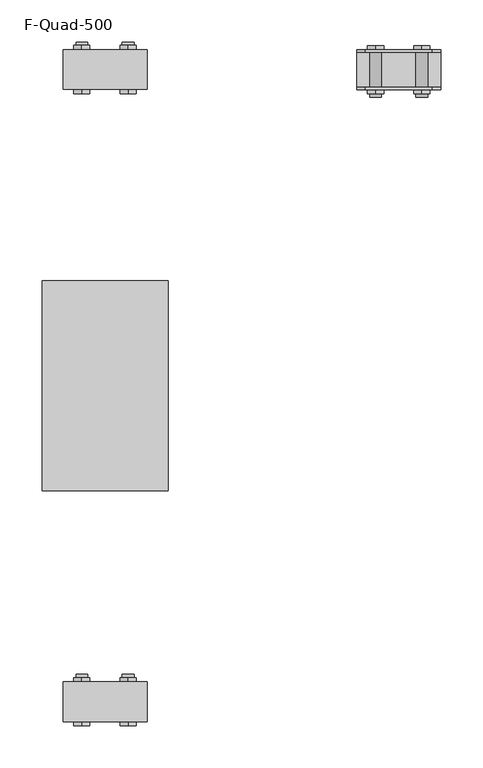
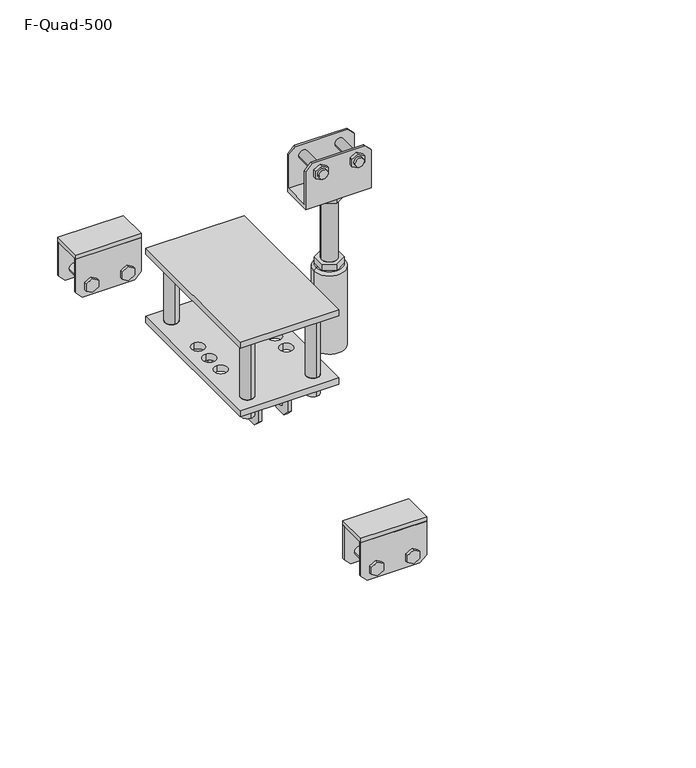
"""IFC4 building model written with IfcOpenShell, lengths in millimetres: beam geometry, F-Quad-500."""

import ifcopenshell
import ifcopenshell.guid

model = None  # the IFC model being written
_history = None  # IfcOwnerHistory: only IFC2X3 demands one
_inside = {}  # id of a spatial element -> (the spatial element, [elements in it])
_under = {}  # id of a project, library or spatial element -> (it, [spatial elements below it])
_declared = {}  # id of a project -> (the project, [libraries it declares])
_typed = {}  # id of a type object -> (the type object, [elements of that type])
_made_of = {}  # id of a material, layer set ... -> (it, [elements and type objects made of it])


def new_model(schema):
    """Start an empty IFC model of exactly this schema.

    Asked for "IFC4X3", IfcOpenShell would pick the latest addendum, in which some entities
    have other attributes; the version numbers below select the first issue.
    IFC2X3 requires an IfcOwnerHistory on every rooted entity: one is made here for all.
    """
    global model, _history
    if schema == "IFC4X3":
        model = ifcopenshell.file(schema_version=(4, 3, 0, 0))
    else:
        model = ifcopenshell.file(schema=schema)
    _inside.clear()
    _under.clear()
    _declared.clear()
    _typed.clear()
    _made_of.clear()
    _history = None
    if model.schema == "IFC2X3":
        org = make("IfcOrganization", Name="unknown")
        user = make(
            "IfcPersonAndOrganization",
            ThePerson=make("IfcPerson", FamilyName="unknown"),
            TheOrganization=org,
        )
        app = make(
            "IfcApplication",
            ApplicationDeveloper=org,
            Version="unknown",
            ApplicationFullName="unknown",
            ApplicationIdentifier="unknown",
        )
        _history = make(
            "IfcOwnerHistory",
            OwningUser=user,
            OwningApplication=app,
            ChangeAction="ADDED",
            CreationDate=0,
        )
    return model


def make(cls, **values):
    """One entity of the class cls with the attributes given. An attribute that is None is left unset."""
    return model.create_entity(
        cls, **{name: value for name, value in values.items() if value is not None}
    )


def rooted(cls, **values):
    """An entity with a GlobalId (a new one), such as an element, a storey or a relation."""
    return make(cls, GlobalId=ifcopenshell.guid.new(), OwnerHistory=_history, **values)


def si_unit(unit_type, name, prefix=None):
    """IfcSIUnit, for example si_unit("LENGTHUNIT", "METRE", prefix="MILLI")."""
    return make("IfcSIUnit", UnitType=unit_type, Prefix=prefix, Name=name)


def assignment(units):
    """IfcUnitAssignment: the units of a project."""
    return None if units is None else make("IfcUnitAssignment", Units=units)


def point(xyz):
    """IfcCartesianPoint."""
    return None if xyz is None else make("IfcCartesianPoint", Coordinates=xyz)


def direction(xyz):
    """IfcDirection."""
    return None if xyz is None else make("IfcDirection", DirectionRatios=xyz)


def frame(location, z_axis=None, x_axis=None):
    """IfcAxis2Placement3D, a coordinate frame: its origin and axes. An axis left out is left unset."""
    return make(
        "IfcAxis2Placement3D",
        Location=point(location),
        Axis=direction(z_axis),
        RefDirection=direction(x_axis),
    )


def frame_2d(location, x_axis=None):
    """IfcAxis2Placement2D, a coordinate frame in the plane: its origin and x axis."""
    return make(
        "IfcAxis2Placement2D", Location=point(location), RefDirection=direction(x_axis)
    )


def origin():
    """The frame at (0, 0, 0) with its axes left unset."""
    return frame((0.0, 0.0, 0.0))


def place(relative_to, where):
    """IfcLocalPlacement: puts the frame where relative to a parent placement (None: the world)."""
    return make(
        "IfcLocalPlacement", PlacementRelTo=relative_to, RelativePlacement=where
    )


def context(
    kind, dimensions, precision=None, world=None, true_north=None, identifier=None
):
    """IfcGeometricRepresentationContext, for example the 3D "Model" context."""
    return make(
        "IfcGeometricRepresentationContext",
        ContextIdentifier=identifier,
        ContextType=kind,
        CoordinateSpaceDimension=dimensions,
        Precision=precision,
        WorldCoordinateSystem=world,
        TrueNorth=true_north,
    )


def project(units=None, contexts=None):
    """IfcProject with its units and contexts."""
    return rooted(
        "IfcProject",
        Name="project",
        RepresentationContexts=contexts,
        UnitsInContext=assignment(units),
    )


def spatial(cls, under=None, at=None, **own):
    """A site, building, storey or space (cls), placed at a placement, below another one or the project."""
    s = rooted(cls, ObjectPlacement=at, **own)
    if under is not None:
        _under.setdefault(under.id(), (under, []))[1].append(s)
    return s


def polyline(points):
    """IfcPolyline through the points."""
    return make("IfcPolyline", Points=[point(p) for p in points])


def circle_curve(where, radius):
    """IfcCircle in the frame where."""
    return make("IfcCircle", Position=where, Radius=radius)


def trimmed(basis, trim1, trim2, sense, master):
    """IfcTrimmedCurve: the piece of a basis curve between two trims."""
    return make(
        "IfcTrimmedCurve",
        BasisCurve=basis,
        Trim1=trim1,
        Trim2=trim2,
        SenseAgreement=sense,
        MasterRepresentation=master,
    )


def segment(curve, same_sense, transition):
    """IfcCompositeCurveSegment."""
    return make(
        "IfcCompositeCurveSegment",
        Transition=transition,
        SameSense=same_sense,
        ParentCurve=curve,
    )


def composite_curve(segments, self_intersect=None):
    """IfcCompositeCurve: segments joined end to end."""
    return make("IfcCompositeCurve", Segments=segments, SelfIntersect=self_intersect)


def outline(outer, holes=None, kind="AREA"):
    """IfcArbitraryClosedProfileDef: a profile drawn as a closed curve; with holes, ...WithVoids."""
    if holes is None:
        return make("IfcArbitraryClosedProfileDef", ProfileType=kind, OuterCurve=outer)
    return make(
        "IfcArbitraryProfileDefWithVoids",
        ProfileType=kind,
        OuterCurve=outer,
        InnerCurves=holes,
    )


def extrude(swept, where, along, depth):
    """IfcExtrudedAreaSolid: the profile swept, set in the frame where, extruded along a direction by depth."""
    return make(
        "IfcExtrudedAreaSolid",
        SweptArea=swept,
        Position=where,
        ExtrudedDirection=direction(along),
        Depth=depth,
    )


def shape(context_of_items, identifier, shape_type, items):
    """IfcShapeRepresentation: the items that make up one representation, for example the "Body"."""
    return make(
        "IfcShapeRepresentation",
        ContextOfItems=context_of_items,
        RepresentationIdentifier=identifier,
        RepresentationType=shape_type,
        Items=items,
    )


def source(mapping_origin, context_of_items, identifier, shape_type, items):
    """IfcRepresentationMap: a shape defined once, which mapped items show again and again."""
    return make(
        "IfcRepresentationMap",
        MappingOrigin=mapping_origin,
        MappedRepresentation=shape(context_of_items, identifier, shape_type, items),
    )


def transform(
    local_origin,
    x_axis=None,
    y_axis=None,
    z_axis=None,
    scale=None,
    scale2=None,
    scale3=None,
    uniform=True,
):
    """IfcCartesianTransformationOperator3D, or its non-uniform kind. x_axis, y_axis, z_axis: its Axis1, 2, 3."""
    if uniform:
        return make(
            "IfcCartesianTransformationOperator3D",
            Axis1=direction(x_axis),
            Axis2=direction(y_axis),
            LocalOrigin=point(local_origin),
            Scale=scale,
            Axis3=direction(z_axis),
        )
    return make(
        "IfcCartesianTransformationOperator3DnonUniform",
        Axis1=direction(x_axis),
        Axis2=direction(y_axis),
        LocalOrigin=point(local_origin),
        Scale=scale,
        Axis3=direction(z_axis),
        Scale2=scale2,
        Scale3=scale3,
    )


def mapped(mapping_source, mapping_target):
    """IfcMappedItem: shows the shape of a source again, moved by a transform."""
    return make(
        "IfcMappedItem", MappingSource=mapping_source, MappingTarget=mapping_target
    )


def made_of(thing, what):
    """Note that an element or type object is made of a material, layer set ...; save() writes the relation."""
    if what is not None:
        _made_of.setdefault(what.id(), (what, []))[1].append(thing)
    return thing


def element(
    cls,
    number,
    at=None,
    inside=None,
    cuts=None,
    type_object=None,
    material=None,
    context=None,
    identifier="Body",
    shape_type=None,
    held_by="IfcProductDefinitionShape",
    body=None,
    shapes=None,
    **own,
):
    """One element of the class cls, such as IfcWall. Its Tag is "e" and its number.

    at: its placement. inside: the storey or other place that contains it. cuts: it is an
    opening in that element (IfcRelVoidsElement). A single representation is given by context,
    identifier, shape_type and body (its items); several are given by shapes. held_by: the class
    of the entity that holds the representations. save() writes the other relations.
    """
    e = rooted(cls, Tag="e%d" % number, ObjectPlacement=at, **own)
    if body is not None:
        shapes = [shape(context, identifier, shape_type, body)]
    if shapes is not None:
        e.Representation = make(held_by, Representations=shapes)
    if inside is not None:
        _inside.setdefault(inside.id(), (inside, []))[1].append(e)
    if cuts is not None:
        rooted(
            "IfcRelVoidsElement", RelatingBuildingElement=cuts, RelatedOpeningElement=e
        )
    if type_object is not None:
        _typed.setdefault(type_object.id(), (type_object, []))[1].append(e)
    return made_of(e, material)


def aggregate(whole, parts):
    """IfcRelAggregates: a whole, such as a stair, and the parts it consists of."""
    return rooted("IfcRelAggregates", RelatingObject=whole, RelatedObjects=parts)


def save(model, path):
    """Write the relations noted so far, then the file.

    IfcRelAggregates (storeys below a building ...), IfcRelContainedInSpatialStructure (elements
    in a storey), IfcRelDefinesByType, IfcRelAssociatesMaterial and IfcRelDeclares: one each for
    every whole, place, type object, material and project.
    """
    for whole, parts in _under.values():
        aggregate(whole, parts)
    for where, things in _inside.values():
        rooted(
            "IfcRelContainedInSpatialStructure",
            RelatedElements=things,
            RelatingStructure=where,
        )
    for kind, things in _typed.values():
        rooted("IfcRelDefinesByType", RelatedObjects=things, RelatingType=kind)
    for what, things in _made_of.values():
        rooted("IfcRelAssociatesMaterial", RelatedObjects=things, RelatingMaterial=what)
    for by, libraries in _declared.values():
        rooted("IfcRelDeclares", RelatingContext=by, RelatedDefinitions=libraries)
    model.write(path)


def plane_surface(at):
    """IfcPlane: the flat surface through the origin of the frame at, square to its z axis."""
    return make("IfcPlane", Position=at)


def cylinder_surface(at, radius):
    """IfcCylindricalSurface: all points at the distance radius from the z axis of the frame at."""
    return make("IfcCylindricalSurface", Position=at, Radius=radius)


def revolved_surface(curve, axis_point, axis_direction):
    """IfcSurfaceOfRevolution: the curve turned about the line through axis_point along axis_direction."""
    return make(
        "IfcSurfaceOfRevolution",
        SweptCurve=make("IfcArbitraryOpenProfileDef", ProfileType="CURVE", Curve=curve),
        AxisPosition=make("IfcAxis1Placement", Location=point(axis_point), Axis=direction(axis_direction)),
    )


def advanced_brep(points, edges, surfaces, faces):
    """IfcAdvancedBrep: a solid bounded by faces that lie on surfaces and meet in shared edges.

    An edge is (start, end): straight between two places in points (the first is 0);
    or (start, end, curve); or (start, end, curve, False) where it runs against its curve.
    A face is (place in surfaces, loops), or (place, loops, False) where it looks against
    its surface's normal. A loop lists edges by number (the first is 1), with a minus sign
    where the edge is run from its end to its start. The first loop is the outer one.
    """
    corners = [point(p) for p in points]
    vertices = [make("IfcVertexPoint", VertexGeometry=c) for c in corners]
    made = []
    for start, end, *more in edges:
        made.append(
            make(
                "IfcEdgeCurve",
                EdgeStart=vertices[start],
                EdgeEnd=vertices[end],
                EdgeGeometry=more[0] if more else make("IfcPolyline", Points=[corners[start], corners[end]]),
                SameSense=more[1] if len(more) > 1 else True,
            )
        )
    hull = []
    for where, loops, *sense in faces:
        bounds = []
        for j, loop in enumerate(loops):
            ring = [make("IfcOrientedEdge", EdgeElement=made[abs(k) - 1], Orientation=k > 0) for k in loop]
            bounds.append(
                make(
                    "IfcFaceOuterBound" if j == 0 else "IfcFaceBound",
                    Bound=make("IfcEdgeLoop", EdgeList=ring),
                    Orientation=True,
                )
            )
        hull.append(make("IfcAdvancedFace", Bounds=bounds, FaceSurface=surfaces[where], SameSense=sense[0] if sense else True))
    return make("IfcAdvancedBrep", Outer=make("IfcClosedShell", CfsFaces=hull))


def f_quad_500_b6241bb7(model_context):
    return source(origin(), model_context, "Body", "SolidModel", [
        extrude(outline(composite_curve([segment(trimmed(circle_curve(frame_2d((400.0, 276.25)), 10.0), [point((400.0, 286.25))], [point((400.0, 266.25))], False, "CARTESIAN"), True, "CONTINUOUS"), segment(trimmed(circle_curve(frame_2d((400.0, 276.25)), 10.0), [point((400.0, 266.25))], [point((400.0, 286.25))], False, "CARTESIAN"), True, "CONTINUOUS")], self_intersect=False)), frame((0.0, 0.0, 325.1), z_axis=(0.0, 0.0, 1.0), x_axis=(1.0, 0.0, 0.0)), (0.0, 0.0, 1.0), 30.0),
        extrude(outline(composite_curve([segment(trimmed(circle_curve(frame_2d((400.0, 476.25)), 10.0), [point((400.0, 486.25))], [point((400.0, 466.25))], False, "CARTESIAN"), True, "CONTINUOUS"), segment(trimmed(circle_curve(frame_2d((400.0, 476.25)), 10.0), [point((400.0, 466.25))], [point((400.0, 486.25))], False, "CARTESIAN"), True, "CONTINUOUS")], self_intersect=False)), frame((0.0, 0.0, 325.1), z_axis=(0.0, 0.0, 1.0), x_axis=(1.0, 0.0, 0.0)), (0.0, 0.0, 1.0), 30.0),
        extrude(outline(composite_curve([segment(trimmed(circle_curve(frame_2d((300.0, 276.25)), 10.0), [point((300.0, 286.25))], [point((300.0, 266.25))], False, "CARTESIAN"), True, "CONTINUOUS"), segment(trimmed(circle_curve(frame_2d((300.0, 276.25)), 10.0), [point((300.0, 266.25))], [point((300.0, 286.25))], False, "CARTESIAN"), True, "CONTINUOUS")], self_intersect=False)), frame((0.0, 0.0, 325.1), z_axis=(0.0, 0.0, 1.0), x_axis=(1.0, 0.0, 0.0)), (0.0, 0.0, 1.0), 30.0),
        extrude(outline(composite_curve([segment(trimmed(circle_curve(frame_2d((300.0, 476.25)), 10.0), [point((300.0, 486.25))], [point((300.0, 466.25))], False, "CARTESIAN"), True, "CONTINUOUS"), segment(trimmed(circle_curve(frame_2d((300.0, 476.25)), 10.0), [point((300.0, 466.25))], [point((300.0, 486.25))], False, "CARTESIAN"), True, "CONTINUOUS")], self_intersect=False)), frame((0.0, 0.0, 325.1), z_axis=(0.0, 0.0, 1.0), x_axis=(1.0, 0.0, 0.0)), (0.0, 0.0, 1.0), 30.0),
        extrude(outline(polyline([(425.0, 251.25), (275.0, 251.25), (275.0, 501.25), (425.0, 501.25), (425.0, 251.25)])), frame((0.0, 0.0, 455.1), z_axis=(0.0, 0.0, 1.0), x_axis=(1.0, 0.0, 0.0)), (0.0, 0.0, 1.0), 10.0),
        extrude(outline(composite_curve([segment(trimmed(circle_curve(frame_2d((300.0, 276.25)), 10.0), [point((300.0, 266.25))], [point((300.0, 286.25))], False, "CARTESIAN"), True, "CONTINUOUS"), segment(trimmed(circle_curve(frame_2d((300.0, 276.25)), 10.0), [point((300.0, 286.25))], [point((300.0, 266.25))], False, "CARTESIAN"), True, "CONTINUOUS")], self_intersect=False)), frame((0.0, 0.0, 355.1), z_axis=(0.0, 0.0, 1.0), x_axis=(1.0, 0.0, 0.0)), (0.0, 0.0, 1.0), 100.0),
        extrude(outline(composite_curve([segment(trimmed(circle_curve(frame_2d((400.0, 276.25)), 10.0), [point((400.0, 266.25))], [point((400.0, 286.25))], False, "CARTESIAN"), True, "CONTINUOUS"), segment(trimmed(circle_curve(frame_2d((400.0, 276.25)), 10.0), [point((400.0, 286.25))], [point((400.0, 266.25))], False, "CARTESIAN"), True, "CONTINUOUS")], self_intersect=False)), frame((0.0, 0.0, 355.1), z_axis=(0.0, 0.0, 1.0), x_axis=(1.0, 0.0, 0.0)), (0.0, 0.0, 1.0), 100.0),
        extrude(outline(composite_curve([segment(trimmed(circle_curve(frame_2d((300.0, 476.25)), 10.0), [point((300.0, 466.25))], [point((300.0, 486.25))], False, "CARTESIAN"), True, "CONTINUOUS"), segment(trimmed(circle_curve(frame_2d((300.0, 476.25)), 10.0), [point((300.0, 486.25))], [point((300.0, 466.25))], False, "CARTESIAN"), True, "CONTINUOUS")], self_intersect=False)), frame((0.0, 0.0, 355.1), z_axis=(0.0, 0.0, 1.0), x_axis=(1.0, 0.0, 0.0)), (0.0, 0.0, 1.0), 100.0),
        extrude(outline(composite_curve([segment(trimmed(circle_curve(frame_2d((400.0, 476.25)), 10.0), [point((400.0, 466.25))], [point((400.0, 486.25))], False, "CARTESIAN"), True, "CONTINUOUS"), segment(trimmed(circle_curve(frame_2d((400.0, 476.25)), 10.0), [point((400.0, 486.25))], [point((400.0, 466.25))], False, "CARTESIAN"), True, "CONTINUOUS")], self_intersect=False)), frame((0.0, 0.0, 355.1), z_axis=(0.0, 0.0, 1.0), x_axis=(1.0, 0.0, 0.0)), (0.0, 0.0, 1.0), 100.0),
        extrude(outline(polyline([(421.8956915, 345.1), (461.8956915, 345.1), (461.8956915, 295.1), (451.8956915, 285.1), (431.8956915, 285.1), (421.8956915, 295.1), (421.8956915, 345.1)]), holes=[composite_curve([segment(trimmed(circle_curve(frame_2d((441.8956915, 300.1)), 5.0), [point((446.8956915, 300.1))], [point((436.8956915, 300.1))], True, "CARTESIAN"), True, "CONTINUOUS"), segment(trimmed(circle_curve(frame_2d((441.8956915, 300.1)), 5.0), [point((436.8956915, 300.1))], [point((446.8956915, 300.1))], True, "CARTESIAN"), True, "CONTINUOUS")], self_intersect=False)]), frame((325.0, 0.0, 0.0), z_axis=(1.0, 0.0, 0.0), x_axis=(0.0, 1.0, 0.0)), (0.0, 0.0, 1.0), 5.0),
        extrude(outline(polyline([(330.6043085, 345.1), (330.6043085, 295.1), (320.6043085, 285.1), (300.6043085, 285.1), (290.6043085, 295.1), (290.6043085, 345.1), (330.6043085, 345.1)]), holes=[composite_curve([segment(trimmed(circle_curve(frame_2d((310.6043085, 300.1)), 5.0), [point((305.6043085, 300.1))], [point((315.6043085, 300.1))], True, "CARTESIAN"), True, "CONTINUOUS"), segment(trimmed(circle_curve(frame_2d((310.6043085, 300.1)), 5.0), [point((315.6043085, 300.1))], [point((305.6043085, 300.1))], True, "CARTESIAN"), True, "CONTINUOUS")], self_intersect=False)]), frame((325.0, 0.0, 0.0), z_axis=(1.0, 0.0, 0.0), x_axis=(0.0, 1.0, 0.0)), (0.0, 0.0, 1.0), 5.0),
        extrude(outline(polyline([(421.8956915, 345.1), (461.8956915, 345.1), (461.8956915, 295.1), (451.8956915, 285.1), (431.8956915, 285.1), (421.8956915, 295.1), (421.8956915, 345.1)]), holes=[composite_curve([segment(trimmed(circle_curve(frame_2d((441.8956915, 300.1)), 5.0), [point((446.8956915, 300.1))], [point((436.8956915, 300.1))], True, "CARTESIAN"), True, "CONTINUOUS"), segment(trimmed(circle_curve(frame_2d((441.8956915, 300.1)), 5.0), [point((436.8956915, 300.1))], [point((446.8956915, 300.1))], True, "CARTESIAN"), True, "CONTINUOUS")], self_intersect=False)]), frame((370.0, 0.0, 0.0), z_axis=(1.0, 0.0, 0.0), x_axis=(0.0, 1.0, 0.0)), (0.0, 0.0, 1.0), 5.0),
        extrude(outline(polyline([(330.6043085, 345.1), (330.6043085, 295.1), (320.6043085, 285.1), (300.6043085, 285.1), (290.6043085, 295.1), (290.6043085, 345.1), (330.6043085, 345.1)]), holes=[composite_curve([segment(trimmed(circle_curve(frame_2d((310.6043085, 300.1)), 5.0), [point((305.6043085, 300.1))], [point((315.6043085, 300.1))], True, "CARTESIAN"), True, "CONTINUOUS"), segment(trimmed(circle_curve(frame_2d((310.6043085, 300.1)), 5.0), [point((315.6043085, 300.1))], [point((305.6043085, 300.1))], True, "CARTESIAN"), True, "CONTINUOUS")], self_intersect=False)]), frame((370.0, 0.0, 0.0), z_axis=(1.0, 0.0, 0.0), x_axis=(0.0, 1.0, 0.0)), (0.0, 0.0, 1.0), 5.0),
        extrude(outline(polyline([(425.0, 501.25), (425.0, 251.25), (275.0, 251.25), (275.0, 501.25), (425.0, 501.25)]), holes=[composite_curve([segment(trimmed(circle_curve(frame_2d((300.0, 276.25)), 10.0), [point((300.0, 266.25))], [point((300.0, 286.25))], True, "CARTESIAN"), True, "CONTINUOUS"), segment(trimmed(circle_curve(frame_2d((300.0, 276.25)), 10.0), [point((300.0, 286.25))], [point((300.0, 266.25))], True, "CARTESIAN"), True, "CONTINUOUS")], self_intersect=False), composite_curve([segment(trimmed(circle_curve(frame_2d((300.0, 376.25)), 10.0), [point((300.0, 366.25))], [point((300.0, 386.25))], True, "CARTESIAN"), True, "CONTINUOUS"), segment(trimmed(circle_curve(frame_2d((300.0, 376.25)), 10.0), [point((300.0, 386.25))], [point((300.0, 366.25))], True, "CARTESIAN"), True, "CONTINUOUS")], self_intersect=False), composite_curve([segment(trimmed(circle_curve(frame_2d((300.0, 346.25)), 10.0), [point((300.0, 336.25))], [point((300.0, 356.25))], True, "CARTESIAN"), True, "CONTINUOUS"), segment(trimmed(circle_curve(frame_2d((300.0, 346.25)), 10.0), [point((300.0, 356.25))], [point((300.0, 336.25))], True, "CARTESIAN"), True, "CONTINUOUS")], self_intersect=False), composite_curve([segment(trimmed(circle_curve(frame_2d((300.0, 476.25)), 10.0), [point((300.0, 486.25))], [point((300.0, 466.25))], True, "CARTESIAN"), True, "CONTINUOUS"), segment(trimmed(circle_curve(frame_2d((300.0, 476.25)), 10.0), [point((300.0, 466.25))], [point((300.0, 486.25))], True, "CARTESIAN"), True, "CONTINUOUS")], self_intersect=False), composite_curve([segment(trimmed(circle_curve(frame_2d((300.0, 406.25)), 10.0), [point((300.0, 416.25))], [point((300.0, 396.25))], True, "CARTESIAN"), True, "CONTINUOUS"), segment(trimmed(circle_curve(frame_2d((300.0, 406.25)), 10.0), [point((300.0, 396.25))], [point((300.0, 416.25))], True, "CARTESIAN"), True, "CONTINUOUS")], self_intersect=False), composite_curve([segment(trimmed(circle_curve(frame_2d((400.0, 276.25)), 10.0), [point((400.0, 266.25))], [point((400.0, 286.25))], True, "CARTESIAN"), True, "CONTINUOUS"), segment(trimmed(circle_curve(frame_2d((400.0, 276.25)), 10.0), [point((400.0, 286.25))], [point((400.0, 266.25))], True, "CARTESIAN"), True, "CONTINUOUS")], self_intersect=False), composite_curve([segment(trimmed(circle_curve(frame_2d((400.0, 376.25)), 10.0), [point((400.0, 366.25))], [point((400.0, 386.25))], True, "CARTESIAN"), True, "CONTINUOUS"), segment(trimmed(circle_curve(frame_2d((400.0, 376.25)), 10.0), [point((400.0, 386.25))], [point((400.0, 366.25))], True, "CARTESIAN"), True, "CONTINUOUS")], self_intersect=False), composite_curve([segment(trimmed(circle_curve(frame_2d((400.0, 346.25)), 10.0), [point((400.0, 336.25))], [point((400.0, 356.25))], True, "CARTESIAN"), True, "CONTINUOUS"), segment(trimmed(circle_curve(frame_2d((400.0, 346.25)), 10.0), [point((400.0, 356.25))], [point((400.0, 336.25))], True, "CARTESIAN"), True, "CONTINUOUS")], self_intersect=False), composite_curve([segment(trimmed(circle_curve(frame_2d((400.0, 476.25)), 10.0), [point((400.0, 486.25))], [point((400.0, 466.25))], True, "CARTESIAN"), True, "CONTINUOUS"), segment(trimmed(circle_curve(frame_2d((400.0, 476.25)), 10.0), [point((400.0, 466.25))], [point((400.0, 486.25))], True, "CARTESIAN"), True, "CONTINUOUS")], self_intersect=False), composite_curve([segment(trimmed(circle_curve(frame_2d((400.0, 406.25)), 10.0), [point((400.0, 416.25))], [point((400.0, 396.25))], True, "CARTESIAN"), True, "CONTINUOUS"), segment(trimmed(circle_curve(frame_2d((400.0, 406.25)), 10.0), [point((400.0, 396.25))], [point((400.0, 416.25))], True, "CARTESIAN"), True, "CONTINUOUS")], self_intersect=False)]), frame((0.0, 0.0, 345.1), z_axis=(0.0, 0.0, 1.0), x_axis=(1.0, 0.0, 0.0)), (0.0, 0.0, 1.0), 10.0),
        extrude(outline(polyline([(246.0, 300.0), (236.0, 310.0), (236.0, 390.0), (246.0, 400.0), (300.0, 400.0), (300.0, 300.0), (246.0, 300.0)])), frame((0.0, 728.95, 0.0), z_axis=(0.0, 1.0, 0.0), x_axis=(0.0, 0.0, 1.0)), (0.0, 0.0, 1.0), 3.0),
        extrude(outline(polyline([(246.0, 400.0), (300.0, 400.0), (300.0, 300.0), (246.0, 300.0), (236.0, 310.0), (236.0, 390.0), (246.0, 400.0)])), frame((0.0, 773.45, 0.0), z_axis=(0.0, 1.0, 0.0), x_axis=(0.0, 0.0, 1.0)), (0.0, 0.0, 1.0), 3.0),
        extrude(outline(polyline([(247.4686675, 387.0805489), (258.5313325, 387.0805489), (264.062665, 377.5), (258.5313325, 367.9194511), (247.4686675, 367.9194511), (241.937335, 377.5), (247.4686675, 387.0805489)])), frame((0.0, 776.45, 0.0), z_axis=(0.0, 1.0, 0.0), x_axis=(0.0, 0.0, 1.0)), (0.0, 0.0, 1.0), 5.0),
        extrude(outline(composite_curve([segment(trimmed(circle_curve(frame_2d((253.0, 322.5)), 7.0), [point((253.0, 329.5))], [point((253.0, 315.5))], False, "CARTESIAN"), True, "CONTINUOUS"), segment(trimmed(circle_curve(frame_2d((253.0, 322.5)), 7.0), [point((253.0, 315.5))], [point((253.0, 329.5))], False, "CARTESIAN"), True, "CONTINUOUS")], self_intersect=False)), frame((0.0, 729.046753, 0.0), z_axis=(0.0, 1.0, 0.0), x_axis=(0.0, 0.0, 1.0)), (0.0, 0.0, 1.0), 56.3481376),
        extrude(outline(composite_curve([segment(trimmed(circle_curve(frame_2d((253.0, 377.5)), 7.0), [point((253.0, 384.5))], [point((253.0, 370.5))], False, "CARTESIAN"), True, "CONTINUOUS"), segment(trimmed(circle_curve(frame_2d((253.0, 377.5)), 7.0), [point((253.0, 370.5))], [point((253.0, 384.5))], False, "CARTESIAN"), True, "CONTINUOUS")], self_intersect=False)), frame((0.0, 729.046753, 0.0), z_axis=(0.0, 1.0, 0.0), x_axis=(0.0, 0.0, 1.0)), (0.0, 0.0, 1.0), 56.3481376),
        extrude(outline(polyline([(241.937335, 322.5), (247.4686675, 332.0805489), (258.5313325, 332.0805489), (264.062665, 322.5), (258.5313325, 312.9194511), (247.4686675, 312.9194511), (241.937335, 322.5)])), frame((0.0, 724.046753, 0.0), z_axis=(0.0, 1.0, 0.0), x_axis=(0.0, 0.0, 1.0)), (0.0, 0.0, 1.0), 5.0),
        extrude(outline(polyline([(241.937335, 377.5), (247.4686675, 387.0805489), (258.5313325, 387.0805489), (264.062665, 377.5), (258.5313325, 367.9194511), (247.4686675, 367.9194511), (241.937335, 377.5)])), frame((0.0, 724.046753, 0.0), z_axis=(0.0, 1.0, 0.0), x_axis=(0.0, 0.0, 1.0)), (0.0, 0.0, 1.0), 5.0),
        extrude(outline(polyline([(247.4686675, 332.0805489), (258.5313325, 332.0805489), (264.062665, 322.5), (258.5313325, 312.9194511), (247.4686675, 312.9194511), (241.937335, 322.5), (247.4686675, 332.0805489)])), frame((0.0, 776.45, 0.0), z_axis=(0.0, 1.0, 0.0), x_axis=(0.0, 0.0, 1.0)), (0.0, 0.0, 1.0), 5.0),
        extrude(outline(polyline([(300.0, 728.95), (300.0, 776.45), (400.0, 776.45), (400.0, 728.95), (300.0, 728.95)])), frame((0.0, 0.0, 300.0), z_axis=(0.0, 0.0, 1.0), x_axis=(1.0, 0.0, 0.0)), (0.0, 0.0, 1.0), 7.0),
        extrude(outline(polyline([(246.0, 300.0), (236.0, 310.0), (236.0, 390.0), (246.0, 400.0), (300.0, 400.0), (300.0, 300.0), (246.0, 300.0)])), frame((0.0, -23.55, 0.0), z_axis=(0.0, 1.0, 0.0), x_axis=(0.0, 0.0, 1.0)), (0.0, 0.0, 1.0), 3.0),
        extrude(outline(polyline([(246.0, 400.0), (300.0, 400.0), (300.0, 300.0), (246.0, 300.0), (236.0, 310.0), (236.0, 390.0), (246.0, 400.0)])), frame((0.0, 20.95, 0.0), z_axis=(0.0, 1.0, 0.0), x_axis=(0.0, 0.0, 1.0)), (0.0, 0.0, 1.0), 3.0),
        extrude(outline(polyline([(247.4686675, 387.0805489), (258.5313325, 387.0805489), (264.062665, 377.5), (258.5313325, 367.9194511), (247.4686675, 367.9194511), (241.937335, 377.5), (247.4686675, 387.0805489)])), frame((0.0, 23.95, 0.0), z_axis=(0.0, 1.0, 0.0), x_axis=(0.0, 0.0, 1.0)), (0.0, 0.0, 1.0), 5.0),
        extrude(outline(composite_curve([segment(trimmed(circle_curve(frame_2d((253.0, 322.5)), 7.0), [point((253.0, 329.5))], [point((253.0, 315.5))], False, "CARTESIAN"), True, "CONTINUOUS"), segment(trimmed(circle_curve(frame_2d((253.0, 322.5)), 7.0), [point((253.0, 315.5))], [point((253.0, 329.5))], False, "CARTESIAN"), True, "CONTINUOUS")], self_intersect=False)), frame((0.0, -23.453247, 0.0), z_axis=(0.0, 1.0, 0.0), x_axis=(0.0, 0.0, 1.0)), (0.0, 0.0, 1.0), 56.3481376),
        extrude(outline(composite_curve([segment(trimmed(circle_curve(frame_2d((253.0, 377.5)), 7.0), [point((253.0, 384.5))], [point((253.0, 370.5))], False, "CARTESIAN"), True, "CONTINUOUS"), segment(trimmed(circle_curve(frame_2d((253.0, 377.5)), 7.0), [point((253.0, 370.5))], [point((253.0, 384.5))], False, "CARTESIAN"), True, "CONTINUOUS")], self_intersect=False)), frame((0.0, -23.453247, 0.0), z_axis=(0.0, 1.0, 0.0), x_axis=(0.0, 0.0, 1.0)), (0.0, 0.0, 1.0), 56.3481376),
        extrude(outline(polyline([(241.937335, 322.5), (247.4686675, 332.0805489), (258.5313325, 332.0805489), (264.062665, 322.5), (258.5313325, 312.9194511), (247.4686675, 312.9194511), (241.937335, 322.5)])), frame((0.0, -28.453247, 0.0), z_axis=(0.0, 1.0, 0.0), x_axis=(0.0, 0.0, 1.0)), (0.0, 0.0, 1.0), 5.0),
        extrude(outline(polyline([(241.937335, 377.5), (247.4686675, 387.0805489), (258.5313325, 387.0805489), (264.062665, 377.5), (258.5313325, 367.9194511), (247.4686675, 367.9194511), (241.937335, 377.5)])), frame((0.0, -28.453247, 0.0), z_axis=(0.0, 1.0, 0.0), x_axis=(0.0, 0.0, 1.0)), (0.0, 0.0, 1.0), 5.0),
        extrude(outline(polyline([(247.4686675, 332.0805489), (258.5313325, 332.0805489), (264.062665, 322.5), (258.5313325, 312.9194511), (247.4686675, 312.9194511), (241.937335, 322.5), (247.4686675, 332.0805489)])), frame((0.0, 23.95, 0.0), z_axis=(0.0, 1.0, 0.0), x_axis=(0.0, 0.0, 1.0)), (0.0, 0.0, 1.0), 5.0),
        extrude(outline(polyline([(300.0, -23.55), (300.0, 23.95), (400.0, 23.95), (400.0, -23.55), (300.0, -23.55)])), frame((0.0, 0.0, 300.0), z_axis=(0.0, 0.0, 1.0), x_axis=(1.0, 0.0, 0.0)), (0.0, 0.0, 1.0), 7.0),
        advanced_brep(
        [(650.0, 731.75, 265.0), (750.0, 731.75, 265.0), (750.0, 773.25, 265.0), (650.0, 773.25, 265.0), (750.0, 776.25, 258.0), (750.0, 728.75, 258.0), (650.0, 728.75, 258.0), (650.0, 776.25, 258.0), (727.5, 781.153247, 323.062665), (737.0805489, 781.153247, 317.5313325), (737.0805489, 781.153247, 306.4686675), (727.5, 781.153247, 300.937335), (717.9194511, 781.153247, 306.4686675), (717.9194511, 781.153247, 317.5313325), (672.5, 781.153247, 323.062665), (682.0805489, 781.153247, 317.5313325), (682.0805489, 781.153247, 306.4686675), (672.5, 781.153247, 300.937335), (662.9194511, 781.153247, 306.4686675), (662.9194511, 781.153247, 317.5313325), (727.5, 776.153247, 323.062665), (737.0805489, 776.25, 317.5313325), (737.0805489, 776.25, 306.4686675), (727.5, 776.25, 300.937335), (717.9194511, 776.25, 306.4686675), (717.9194511, 776.25, 317.5313325), (672.5, 776.153247, 323.062665), (682.0805489, 776.25, 317.5313325), (682.0805489, 776.25, 306.4686675), (672.5, 776.25, 300.937335), (662.9194511, 776.25, 306.4686675), (662.9194511, 776.25, 317.5313325), (717.9194511, 723.75, 317.5313325), (717.9194511, 723.75, 306.4686675), (727.5, 723.75, 300.937335), (737.0805489, 723.75, 306.4686675), (737.0805489, 723.75, 317.5313325), (727.5, 723.75, 323.062665), (720.5, 723.75, 312.0), (734.5, 723.75, 312.0), (717.9194511, 728.75, 317.5313325), (717.9194511, 728.75, 306.4686675), (727.5, 728.75, 300.937335), (737.0805489, 728.75, 306.4686675), (737.0805489, 728.75, 317.5313325), (727.5, 728.75, 323.062665), (662.9194511, 723.75, 317.5313325), (662.9194511, 723.75, 306.4686675), (672.5, 723.75, 300.937335), (682.0805489, 723.75, 306.4686675), (682.0805489, 723.75, 317.5313325), (672.5, 723.75, 323.062665), (665.5, 723.75, 312.0), (679.5, 723.75, 312.0), (662.9194511, 728.75, 317.5313325), (662.9194511, 728.75, 306.4686675), (672.5, 728.75, 300.937335), (682.0805489, 728.75, 306.4686675), (682.0805489, 728.75, 317.5313325), (672.5, 728.75, 323.062665), (650.0, 731.75, 319.0), (660.0, 731.75, 329.0), (740.0, 731.75, 329.0), (750.0, 731.75, 319.0), (734.5, 731.75, 312.0), (720.5, 731.75, 312.0), (679.5, 731.75, 312.0), (665.5, 731.75, 312.0), (740.0, 728.75, 329.0), (750.0, 728.75, 319.0), (660.0, 728.75, 329.0), (650.0, 728.75, 319.0), (750.0, 773.25, 319.0), (740.0, 773.25, 329.0), (660.0, 773.25, 329.0), (650.0, 773.25, 319.0), (720.5, 773.25, 312.0), (734.5, 773.25, 312.0), (665.5, 773.25, 312.0), (679.5, 773.25, 312.0), (750.0, 776.25, 319.0), (740.0, 776.25, 329.0), (660.0, 776.25, 329.0), (650.0, 776.25, 319.0), (720.5, 719.8051094, 312.0), (734.5, 719.8051094, 312.0), (665.5, 719.8051094, 312.0), (679.5, 719.8051094, 312.0)],
        [
            (0, 1),
            (1, 2),
            (2, 3),
            (3, 0),
            (4, 5),
            (5, 6),
            (6, 7),
            (7, 4),
            (8, 9),
            (9, 10),
            (10, 11),
            (11, 12),
            (12, 13),
            (13, 8),
            (14, 15),
            (15, 16),
            (16, 17),
            (17, 18),
            (18, 19),
            (19, 14),
            (8, 20),
            (20, 21),
            (21, 9),
            (21, 22),
            (22, 10),
            (22, 23),
            (23, 11),
            (23, 24),
            (24, 12),
            (24, 25),
            (25, 13),
            (25, 20),
            (14, 26),
            (26, 27),
            (27, 15),
            (27, 28),
            (28, 16),
            (28, 29),
            (29, 17),
            (29, 30),
            (30, 18),
            (30, 31),
            (31, 19),
            (31, 26),
            (32, 33),
            (33, 34),
            (34, 35),
            (35, 36),
            (36, 37),
            (37, 32),
            (38, 39, circle_curve(frame((727.5, 723.75, 312.0), z_axis=(0.0, 1.0, 0.0), x_axis=(-1.0, 0.0, 0.0)), 7.0)),
            (39, 38, circle_curve(frame((727.5, 723.75, 312.0), z_axis=(0.0, 1.0, 0.0), x_axis=(-1.0, 0.0, 0.0)), 7.0)),
            (32, 40),
            (40, 41),
            (41, 33),
            (41, 42),
            (42, 34),
            (42, 43),
            (43, 35),
            (43, 44),
            (44, 36),
            (44, 45),
            (45, 37),
            (45, 40),
            (46, 47),
            (47, 48),
            (48, 49),
            (49, 50),
            (50, 51),
            (51, 46),
            (52, 53, circle_curve(frame((672.5, 723.75, 312.0), z_axis=(0.0, 1.0, 0.0), x_axis=(-1.0, 0.0, 0.0)), 7.0)),
            (53, 52, circle_curve(frame((672.5, 723.75, 312.0), z_axis=(0.0, 1.0, 0.0), x_axis=(-1.0, 0.0, 0.0)), 7.0)),
            (46, 54),
            (54, 55),
            (55, 47),
            (55, 56),
            (56, 48),
            (56, 57),
            (57, 49),
            (57, 58),
            (58, 50),
            (58, 59),
            (59, 51),
            (59, 54),
            (60, 61),
            (61, 62),
            (62, 63),
            (63, 1),
            (0, 60),
            (64, 65, circle_curve(frame((727.5, 731.75, 312.0), z_axis=(0.0, -1.0, 0.0), x_axis=(-1.0, 0.0, 0.0)), 7.0)),
            (65, 64, circle_curve(frame((727.5, 731.75, 312.0), z_axis=(0.0, -1.0, 0.0), x_axis=(-1.0, 0.0, 0.0)), 7.0)),
            (66, 67, circle_curve(frame((672.5, 731.75, 312.0), z_axis=(0.0, -1.0, 0.0), x_axis=(-1.0, 0.0, 0.0)), 7.0)),
            (67, 66, circle_curve(frame((672.5, 731.75, 312.0), z_axis=(0.0, -1.0, 0.0), x_axis=(-1.0, 0.0, 0.0)), 7.0)),
            (62, 68),
            (68, 69),
            (69, 63),
            (61, 70),
            (70, 68),
            (60, 71),
            (71, 70),
            (72, 73),
            (73, 74),
            (74, 75),
            (75, 3),
            (2, 72),
            (76, 77, circle_curve(frame((727.5, 773.25, 312.0), z_axis=(0.0, 1.0, 0.0), x_axis=(-1.0, 0.0, 0.0)), 7.0)),
            (77, 76, circle_curve(frame((727.5, 773.25, 312.0), z_axis=(0.0, 1.0, 0.0), x_axis=(-1.0, 0.0, 0.0)), 7.0)),
            (78, 79, circle_curve(frame((672.5, 773.25, 312.0), z_axis=(0.0, 1.0, 0.0), x_axis=(-1.0, 0.0, 0.0)), 7.0)),
            (79, 78, circle_curve(frame((672.5, 773.25, 312.0), z_axis=(0.0, 1.0, 0.0), x_axis=(-1.0, 0.0, 0.0)), 7.0)),
            (80, 81),
            (81, 73),
            (72, 80),
            (81, 82),
            (82, 74),
            (82, 83),
            (83, 75),
            (7, 83),
            (80, 4),
            (6, 71),
            (5, 69),
            (84, 85, circle_curve(frame((727.5, 719.8051094, 312.0), z_axis=(0.0, -1.0, 0.0), x_axis=(-1.0, 0.0, 0.0)), 7.0)),
            (85, 84, circle_curve(frame((727.5, 719.8051094, 312.0), z_axis=(0.0, -1.0, 0.0), x_axis=(-1.0, 0.0, 0.0)), 7.0)),
            (86, 87, circle_curve(frame((672.5, 719.8051094, 312.0), z_axis=(0.0, -1.0, 0.0), x_axis=(-1.0, 0.0, 0.0)), 7.0)),
            (87, 86, circle_curve(frame((672.5, 719.8051094, 312.0), z_axis=(0.0, -1.0, 0.0), x_axis=(-1.0, 0.0, 0.0)), 7.0)),
            (85, 39),
            (38, 84),
            (64, 77),
            (76, 65),
            (87, 53),
            (52, 86),
            (66, 79),
            (78, 67),
        ],
        [
            plane_surface(frame((700.0, 776.25, 265.0), z_axis=(0.0, 0.0, 1.0), x_axis=(-1.0, 0.0, 0.0))),
            plane_surface(frame((700.0, 776.25, 258.0), z_axis=(0.0, 0.0, -1.0), x_axis=(1.0, 0.0, 0.0))),
            plane_surface(frame((727.5, 781.153247, 323.062665), z_axis=(0.0, 1.0, 0.0), x_axis=(0.866025403784437, 0.0, -0.5000000000000028))),
            plane_surface(frame((727.5, 781.153247, 323.062665), z_axis=(0.5000000000000028, 0.0, 0.866025403784437), x_axis=(0.0, -1.0, 0.0))),
            plane_surface(frame((737.0805489, 781.153247, 317.5313325), z_axis=(1.0, 0.0, 0.0), x_axis=(0.0, -1.0, 0.0))),
            plane_surface(frame((737.0805489, 781.153247, 306.4686675), z_axis=(0.4999999999999971, 0.0, -0.8660254037844404), x_axis=(0.0, -1.0, 0.0))),
            plane_surface(frame((727.5, 781.153247, 300.937335), z_axis=(-0.5000000000000031, 0.0, -0.8660254037844369), x_axis=(0.0, -1.0, 0.0))),
            plane_surface(frame((717.9194511, 781.153247, 306.4686675), z_axis=(-1.0, 0.0, 0.0), x_axis=(0.0, -1.0, 0.0))),
            plane_surface(frame((717.9194511, 781.153247, 317.5313325), z_axis=(-0.4999999999999962, 0.0, 0.8660254037844408), x_axis=(0.0, -1.0, 0.0))),
            plane_surface(frame((672.5, 781.153247, 323.062665), z_axis=(0.5000000000000028, 0.0, 0.866025403784437), x_axis=(0.0, -1.0, 0.0))),
            plane_surface(frame((682.0805489, 781.153247, 317.5313325), z_axis=(1.0, 0.0, 0.0), x_axis=(0.0, -1.0, 0.0))),
            plane_surface(frame((682.0805489, 781.153247, 306.4686675), z_axis=(0.4999999999999972, 0.0, -0.8660254037844403), x_axis=(0.0, -1.0, 0.0))),
            plane_surface(frame((672.5, 781.153247, 300.937335), z_axis=(-0.5000000000000029, 0.0, -0.866025403784437), x_axis=(0.0, -1.0, 0.0))),
            plane_surface(frame((662.9194511, 781.153247, 306.4686675), z_axis=(-1.0, 0.0, 0.0), x_axis=(0.0, -1.0, 0.0))),
            plane_surface(frame((662.9194511, 781.153247, 317.5313325), z_axis=(-0.49999999999999617, 0.0, 0.8660254037844409), x_axis=(0.0, -1.0, 0.0))),
            plane_surface(frame((717.9194511, 723.75, 317.5313325), z_axis=(0.0, -1.0, 0.0), x_axis=(0.0, 0.0, -1.0))),
            plane_surface(frame((717.9194511, 723.75, 317.5313325), z_axis=(-1.0, 0.0, 0.0), x_axis=(0.0, 1.0, 0.0))),
            plane_surface(frame((717.9194511, 723.75, 306.4686675), z_axis=(-0.500000000000003, 0.0, -0.866025403784437), x_axis=(0.0, 1.0, 0.0))),
            plane_surface(frame((727.5, 723.75, 300.937335), z_axis=(0.4999999999999972, 0.0, -0.8660254037844403), x_axis=(0.0, 1.0, 0.0))),
            plane_surface(frame((737.0805489, 723.75, 306.4686675), z_axis=(1.0, 0.0, 0.0), x_axis=(0.0, 1.0, 0.0))),
            plane_surface(frame((737.0805489, 723.75, 317.5313325), z_axis=(0.5000000000000038, 0.0, 0.8660254037844366), x_axis=(0.0, 1.0, 0.0))),
            plane_surface(frame((727.5, 723.75, 323.062665), z_axis=(-0.4999999999999978, 0.0, 0.8660254037844399), x_axis=(0.0, 1.0, 0.0))),
            plane_surface(frame((662.9194511, 723.75, 317.5313325), z_axis=(0.0, -1.0, 0.0), x_axis=(0.0, 0.0, -1.0))),
            plane_surface(frame((662.9194511, 723.75, 317.5313325), z_axis=(-1.0, 0.0, 0.0), x_axis=(0.0, 1.0, 0.0))),
            plane_surface(frame((662.9194511, 723.75, 306.4686675), z_axis=(-0.5000000000000031, 0.0, -0.8660254037844368), x_axis=(0.0, 1.0, 0.0))),
            plane_surface(frame((672.5, 723.75, 300.937335), z_axis=(0.49999999999999717, 0.0, -0.8660254037844404), x_axis=(0.0, 1.0, 0.0))),
            plane_surface(frame((682.0805489, 723.75, 306.4686675), z_axis=(1.0, 0.0, 0.0), x_axis=(0.0, 1.0, 0.0))),
            plane_surface(frame((682.0805489, 723.75, 317.5313325), z_axis=(0.5000000000000036, 0.0, 0.8660254037844367), x_axis=(0.0, 1.0, 0.0))),
            plane_surface(frame((672.5, 723.75, 323.062665), z_axis=(-0.4999999999999981, 0.0, 0.8660254037844398), x_axis=(0.0, 1.0, 0.0))),
            plane_surface(frame((650.0, 731.75, 319.0), z_axis=(0.0, 1.0, 0.0), x_axis=(0.0, 0.0, 1.0))),
            plane_surface(frame((750.0, 728.75, 319.0), z_axis=(0.7071067811865493, 0.0, 0.7071067811865457), x_axis=(0.0, 1.0, 0.0))),
            plane_surface(frame((740.0, 728.75, 329.0), z_axis=(0.0, 0.0, 1.0), x_axis=(0.0, 1.0, 0.0))),
            plane_surface(frame((660.0, 728.75, 329.0), z_axis=(-0.707106781186547, 0.0, 0.7071067811865481), x_axis=(0.0, 1.0, 0.0))),
            plane_surface(frame((740.0, 773.25, 329.0), z_axis=(0.0, -1.0, 0.0), x_axis=(-0.7071067811865458, 0.0, 0.7071067811865493))),
            plane_surface(frame((750.0, 773.25, 319.0), z_axis=(0.7071067811865493, 0.0, 0.7071067811865458), x_axis=(0.0, 1.0, 0.0))),
            plane_surface(frame((740.0, 773.25, 329.0), z_axis=(0.0, 0.0, 1.0), x_axis=(0.0, 1.0, 0.0))),
            plane_surface(frame((660.0, 773.25, 329.0), z_axis=(-0.7071067811865467, 0.0, 0.7071067811865485), x_axis=(0.0, 1.0, 0.0))),
            plane_surface(frame((750.0, 776.25, 265.0), z_axis=(0.0, 1.0, 0.0), x_axis=(0.0, 0.0, -1.0))),
            plane_surface(frame((650.0, 776.25, 265.0), z_axis=(-1.0, 0.0, 0.0), x_axis=(0.0, 0.0, -1.0))),
            plane_surface(frame((650.0, 728.75, 265.0), z_axis=(0.0, -1.0, 0.0), x_axis=(0.0, 0.0, -1.0))),
            plane_surface(frame((750.0, 728.75, 265.0), z_axis=(1.0, 0.0, 0.0), x_axis=(0.0, 0.0, -1.0))),
            plane_surface(frame((720.5, 719.8051094, 312.0), z_axis=(0.0, -1.0, 0.0), x_axis=(0.0, 0.0, -1.0))),
            cylinder_surface(frame((727.5, 719.8051094, 312.0), z_axis=(0.0, 1.0, 0.0), x_axis=(-1.0, 0.0, 0.0)), 7.0),
            cylinder_surface(frame((672.5, 776.153247, 312.0), z_axis=(0.0, 1.0, 0.0), x_axis=(-1.0, 0.0, 0.0)), 7.0),
        ],
        [
            (0, [[1, 2, 3, 4]]),
            (1, [[5, 6, 7, 8]]),
            (2, [[9, 10, 11, 12, 13, 14]]),
            (2, [[15, 16, 17, 18, 19, 20]]),
            (3, [[-9, 21, 22, 23]]),
            (4, [[-10, -23, 24, 25]]),
            (5, [[-11, -25, 26, 27]]),
            (6, [[-12, -27, 28, 29]]),
            (7, [[-13, -29, 30, 31]]),
            (8, [[-14, -31, 32, -21]]),
            (9, [[-15, 33, 34, 35]]),
            (10, [[-16, -35, 36, 37]]),
            (11, [[-17, -37, 38, 39]]),
            (12, [[-18, -39, 40, 41]]),
            (13, [[-19, -41, 42, 43]]),
            (14, [[-20, -43, 44, -33]]),
            (15, [[45, 46, 47, 48, 49, 50], [51, 52]]),
            (16, [[-45, 53, 54, 55]]),
            (17, [[-46, -55, 56, 57]]),
            (18, [[-47, -57, 58, 59]]),
            (19, [[-48, -59, 60, 61]]),
            (20, [[-49, -61, 62, 63]]),
            (21, [[-50, -63, 64, -53]]),
            (22, [[65, 66, 67, 68, 69, 70], [71, 72]]),
            (23, [[-65, 73, 74, 75]]),
            (24, [[-66, -75, 76, 77]]),
            (25, [[-67, -77, 78, 79]]),
            (26, [[-68, -79, 80, 81]]),
            (27, [[-69, -81, 82, 83]]),
            (28, [[-70, -83, 84, -73]]),
            (29, [[85, 86, 87, 88, -1, 89], [90, 91], [92, 93]]),
            (30, [[-87, 94, 95, 96]]),
            (31, [[-86, 97, 98, -94]]),
            (32, [[-85, 99, 100, -97]]),
            (33, [[101, 102, 103, 104, -3, 105], [106, 107], [108, 109]]),
            (34, [[110, 111, -101, 112]]),
            (35, [[113, 114, -102, -111]]),
            (36, [[115, 116, -103, -114]]),
            (37, [[-8, 117, -115, -113, -110, 118], [-22, -32, -30, -28, -26, -24], [-34, -44, -42, -40, -38, -36]]),
            (38, [[-117, -7, 119, -99, -89, -4, -104, -116]]),
            (39, [[-6, 120, -95, -98, -100, -119], [-54, -64, -62, -60, -58, -56], [-74, -84, -82, -80, -78, -76]]),
            (40, [[-5, -118, -112, -105, -2, -88, -96, -120]]),
            (41, [[121, 122]]),
            (41, [[123, 124]]),
            (42, [[-122, 125, -51, 126]]),
            (42, [[-90, 127, -106, 128]]),
            (42, [[-121, -126, -52, -125]]),
            (42, [[-91, -128, -107, -127]]),
            (43, [[-124, 129, -71, 130]]),
            (43, [[-92, 131, -108, 132]]),
            (43, [[-123, -130, -72, -129]]),
            (43, [[-93, -132, -109, -131]]),
        ],
    ),
        advanced_brep(
        [(688.0, 752.5, 248.0), (688.0, 752.5, 150.0), (712.0, 752.5, 150.0), (712.0, 752.5, 248.0), (682.6794919, 762.5, 258.0), (682.6794919, 742.5, 258.0), (700.0, 732.5, 258.0), (717.3205081, 742.5, 258.0), (717.3205081, 762.5, 258.0), (700.0, 772.5, 258.0), (682.6794919, 762.5, 248.0), (700.0, 772.5, 248.0), (717.3205081, 762.5, 248.0), (717.3205081, 742.5, 248.0), (700.0, 732.5, 248.0), (682.6794919, 742.5, 248.0), (682.6794919, 762.5, 150.0), (682.6794919, 742.5, 150.0), (700.0, 732.5, 150.0), (717.3205081, 742.5, 150.0), (717.3205081, 762.5, 150.0), (700.0, 772.5, 150.0), (682.6794919, 762.5, 140.0), (682.6794919, 752.5, 140.0), (682.6794919, 742.5, 140.0), (700.0, 732.5, 140.0), (717.3205081, 742.5, 140.0), (717.3205081, 752.5, 140.0), (717.3205081, 762.5, 140.0), (700.0, 772.5, 140.0), (680.0, 752.5, 140.0), (720.0, 752.5, 140.0), (724.0, 752.5, 136.0), (676.0, 752.5, 136.0), (724.0, 752.5, 10.0), (676.0, 752.5, 10.0), (700.0, 752.5, 10.0)],
        [
            (0, 1),
            (1, 2, circle_curve(frame((700.0, 752.5, 150.0), z_axis=(0.0, 0.0, 1.0), x_axis=(1.0, 0.0, 0.0)), 12.0)),
            (2, 3),
            (3, 0, circle_curve(frame((700.0, 752.5, 248.0), z_axis=(0.0, 0.0, -1.0), x_axis=(1.0, 0.0, 0.0)), 12.0)),
            (0, 3, circle_curve(frame((700.0, 752.5, 248.0), z_axis=(0.0, 0.0, -1.0), x_axis=(1.0, 0.0, 0.0)), 12.0)),
            (2, 1, circle_curve(frame((700.0, 752.5, 150.0), z_axis=(0.0, 0.0, 1.0), x_axis=(1.0, 0.0, 0.0)), 12.0)),
            (4, 5),
            (5, 6),
            (6, 7),
            (7, 8),
            (8, 9),
            (9, 4),
            (10, 11),
            (11, 12),
            (12, 13),
            (13, 14),
            (14, 15),
            (15, 10),
            (4, 10),
            (15, 5),
            (14, 6),
            (13, 7),
            (12, 8),
            (11, 9),
            (16, 17),
            (17, 18),
            (18, 19),
            (19, 20),
            (20, 21),
            (21, 16),
            (16, 22),
            (22, 23),
            (23, 24),
            (24, 17),
            (24, 25),
            (25, 18),
            (25, 26),
            (26, 19),
            (26, 27),
            (27, 28),
            (28, 20),
            (28, 29),
            (29, 21),
            (29, 22),
            (22, 30, circle_curve(frame((700.0, 752.5, 140.0), z_axis=(0.0, 0.0, 1.0), x_axis=(-1.0, 0.0, 0.0)), 20.0)),
            (30, 23),
            (29, 22, circle_curve(frame((700.0, 752.5, 140.0), z_axis=(0.0, 0.0, 1.0), x_axis=(-1.0, 0.0, 0.0)), 20.0)),
            (28, 29, circle_curve(frame((700.0, 752.5, 140.0), z_axis=(0.0, 0.0, 1.0), x_axis=(-1.0, 0.0, 0.0)), 20.0)),
            (31, 28, circle_curve(frame((700.0, 752.5, 140.0), z_axis=(0.0, 0.0, 1.0), x_axis=(-1.0, 0.0, 0.0)), 20.0)),
            (27, 31),
            (26, 31, circle_curve(frame((700.0, 752.5, 140.0), z_axis=(0.0, 0.0, 1.0), x_axis=(-1.0, 0.0, 0.0)), 20.0)),
            (25, 26, circle_curve(frame((700.0, 752.5, 140.0), z_axis=(0.0, 0.0, 1.0), x_axis=(-1.0, 0.0, 0.0)), 20.0)),
            (24, 25, circle_curve(frame((700.0, 752.5, 140.0), z_axis=(0.0, 0.0, 1.0), x_axis=(-1.0, 0.0, 0.0)), 20.0)),
            (30, 24, circle_curve(frame((700.0, 752.5, 140.0), z_axis=(0.0, 0.0, 1.0), x_axis=(-1.0, 0.0, 0.0)), 20.0)),
            (32, 33, circle_curve(frame((700.0, 752.5, 136.0), z_axis=(0.0, 0.0, 1.0), x_axis=(-1.0, 0.0, 0.0)), 24.0)),
            (33, 30),
            (31, 32),
            (33, 32, circle_curve(frame((700.0, 752.5, 136.0), z_axis=(0.0, 0.0, 1.0), x_axis=(-1.0, 0.0, 0.0)), 24.0)),
            (32, 34),
            (34, 35, circle_curve(frame((700.0, 752.5, 10.0), z_axis=(0.0, 0.0, 1.0), x_axis=(-1.0, 0.0, 0.0)), 24.0)),
            (35, 33),
            (35, 34, circle_curve(frame((700.0, 752.5, 10.0), z_axis=(0.0, 0.0, 1.0), x_axis=(-1.0, 0.0, 0.0)), 24.0)),
            (34, 36),
            (36, 35),
        ],
        [
            cylinder_surface(frame((700.0, 752.5, 150.0), z_axis=(0.0, 0.0, 1.0), x_axis=(1.0, 0.0, 0.0)), 12.0),
            plane_surface(frame((682.6794919, 762.5, 258.0), z_axis=(0.0, 0.0, 1.0), x_axis=(0.0, -1.0, 0.0))),
            plane_surface(frame((682.6794919, 762.5, 248.0), z_axis=(0.0, 0.0, -1.0), x_axis=(0.0, 1.0, 0.0))),
            plane_surface(frame((682.6794919, 762.5, 258.0), z_axis=(-1.0, 0.0, 0.0), x_axis=(0.0, 0.0, -1.0))),
            plane_surface(frame((682.6794919, 742.5, 258.0), z_axis=(-0.5000000000000034, -0.8660254037844367, 0.0), x_axis=(0.0, 0.0, -1.0))),
            plane_surface(frame((700.0, 732.5, 258.0), z_axis=(0.4999999999999958, -0.8660254037844412, 0.0), x_axis=(0.0, 0.0, -1.0))),
            plane_surface(frame((717.3205081, 742.5, 258.0), z_axis=(1.0, 0.0, 0.0), x_axis=(0.0, 0.0, -1.0))),
            plane_surface(frame((717.3205081, 762.5, 258.0), z_axis=(0.5000000000000064, 0.866025403784435, 0.0), x_axis=(0.0, 0.0, -1.0))),
            plane_surface(frame((700.0, 772.5, 258.0), z_axis=(-0.4999999999999984, 0.8660254037844396, 0.0), x_axis=(0.0, 0.0, -1.0))),
            plane_surface(frame((682.6794919, 762.5, 150.0), z_axis=(0.0, 0.0, 1.0), x_axis=(0.0, -1.0, 0.0))),
            plane_surface(frame((682.6794919, 762.5, 150.0), z_axis=(-1.0, 0.0, 0.0), x_axis=(0.0, 0.0, -1.0))),
            plane_surface(frame((682.6794919, 742.5, 150.0), z_axis=(-0.5000000000000034, -0.8660254037844367, 0.0), x_axis=(0.0, 0.0, -1.0))),
            plane_surface(frame((700.0, 732.5, 150.0), z_axis=(0.49999999999999545, -0.8660254037844413, 0.0), x_axis=(0.0, 0.0, -1.0))),
            plane_surface(frame((717.3205081, 742.5, 150.0), z_axis=(1.0, 0.0, 0.0), x_axis=(0.0, 0.0, -1.0))),
            plane_surface(frame((717.3205081, 762.5, 150.0), z_axis=(0.5000000000000064, 0.866025403784435, 0.0), x_axis=(0.0, 0.0, -1.0))),
            plane_surface(frame((700.0, 772.5, 150.0), z_axis=(-0.49999999999999845, 0.8660254037844396, 0.0), x_axis=(0.0, 0.0, -1.0))),
            plane_surface(frame((700.0, 752.5, 140.0), z_axis=(0.0, 0.0, 1.0), x_axis=(-1.0, 0.0, 0.0))),
            revolved_surface(polyline([(680.0, 752.5, 140.0), (676.0, 752.5, 136.0)]), (700.0, 752.5, 165.0), (0.0, 0.0, -1.0)),
            cylinder_surface(frame((700.0, 752.5, 165.0), z_axis=(0.0, 0.0, -1.0), x_axis=(-1.0, 0.0, 0.0)), 24.0),
            plane_surface(frame((700.0, 752.5, 10.0), z_axis=(0.0, 0.0, -1.0), x_axis=(-1.0, 0.0, 0.0))),
        ],
        [
            (0, [[1, 2, 3, 4]]),
            (0, [[-1, 5, -3, 6]]),
            (1, [[7, 8, 9, 10, 11, 12]]),
            (2, [[13, 14, 15, 16, 17, 18], [-4, -5]]),
            (3, [[-7, 19, -18, 20]]),
            (4, [[-8, -20, -17, 21]]),
            (5, [[-9, -21, -16, 22]]),
            (6, [[-10, -22, -15, 23]]),
            (7, [[-11, -23, -14, 24]]),
            (8, [[-12, -24, -13, -19]]),
            (9, [[25, 26, 27, 28, 29, 30], [-2, -6]]),
            (10, [[-25, 31, 32, 33, 34]]),
            (11, [[-26, -34, 35, 36]]),
            (12, [[-27, -36, 37, 38]]),
            (13, [[-28, -38, 39, 40, 41]]),
            (14, [[-29, -41, 42, 43]]),
            (15, [[-30, -43, 44, -31]]),
            (16, [[45, 46, -32]]),
            (16, [[47, -44]]),
            (16, [[48, -42]]),
            (16, [[49, -40, 50]]),
            (16, [[51, -50, -39]]),
            (16, [[52, -37]]),
            (16, [[53, -35]]),
            (16, [[54, -33, -46]]),
            (17, [[55, 56, -45, -47, -48, -49, 57]]),
            (17, [[-56, 58, -57, -51, -52, -53, -54]]),
            (18, [[-55, 59, 60, 61]]),
            (18, [[-58, -61, 62, -59]]),
            (19, [[-60, 63, 64]]),
            (19, [[-62, -64, -63]]),
        ],
    ),
    ])


if __name__ == "__main__":
    model = new_model("IFC4")
    model_context = context("Model", 3, world=origin())
    ifc_project = project(units=[si_unit("LENGTHUNIT", "METRE", prefix="MILLI")], contexts=[model_context])
    site = spatial("IfcSite", under=ifc_project)
    building = spatial("IfcBuilding", under=site)
    placement = place(None, origin())
    f_quad_500_shape = f_quad_500_b6241bb7(model_context)
    element("IfcBeam", 1, ObjectType="F-Quad-500", at=placement, inside=building, context=model_context, shape_type="MappedRepresentation", body=[
        mapped(f_quad_500_shape, transform((0.0, 0.0, 0.0), x_axis=(1.0, 0.0, 0.0), y_axis=(0.0, 1.0, 0.0), z_axis=(0.0, 0.0, 1.0))),
    ])
    save(model, "model.ifc")
